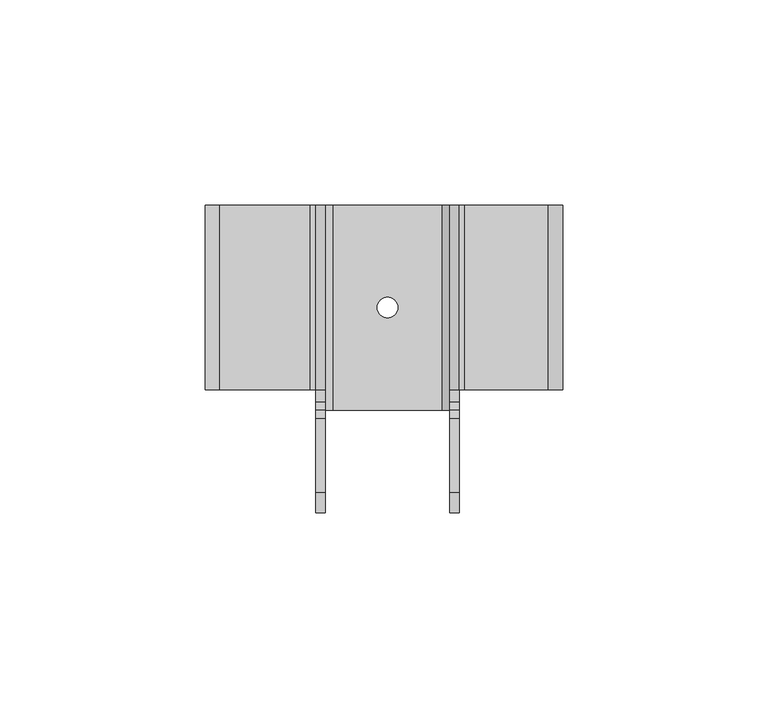
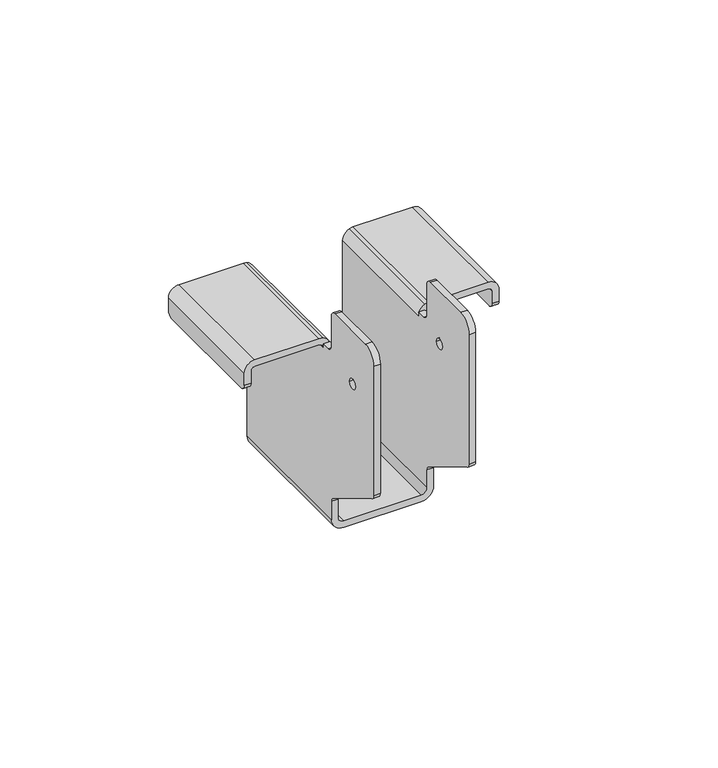
"""IFC4 building model written with IfcOpenShell, lengths in millimetres: proxy geometry."""

import ifcopenshell
import ifcopenshell.guid

model = None  # the IFC model being written
_history = None  # IfcOwnerHistory: only IFC2X3 demands one
_inside = {}  # id of a spatial element -> (the spatial element, [elements in it])
_under = {}  # id of a project, library or spatial element -> (it, [spatial elements below it])
_declared = {}  # id of a project -> (the project, [libraries it declares])
_typed = {}  # id of a type object -> (the type object, [elements of that type])
_made_of = {}  # id of a material, layer set ... -> (it, [elements and type objects made of it])


def new_model(schema):
    """Start an empty IFC model of exactly this schema.

    Asked for "IFC4X3", IfcOpenShell would pick the latest addendum, in which some entities
    have other attributes; the version numbers below select the first issue.
    IFC2X3 requires an IfcOwnerHistory on every rooted entity: one is made here for all.
    """
    global model, _history
    if schema == "IFC4X3":
        model = ifcopenshell.file(schema_version=(4, 3, 0, 0))
    else:
        model = ifcopenshell.file(schema=schema)
    _inside.clear()
    _under.clear()
    _declared.clear()
    _typed.clear()
    _made_of.clear()
    _history = None
    if model.schema == "IFC2X3":
        org = make("IfcOrganization", Name="unknown")
        user = make(
            "IfcPersonAndOrganization",
            ThePerson=make("IfcPerson", FamilyName="unknown"),
            TheOrganization=org,
        )
        app = make(
            "IfcApplication",
            ApplicationDeveloper=org,
            Version="unknown",
            ApplicationFullName="unknown",
            ApplicationIdentifier="unknown",
        )
        _history = make(
            "IfcOwnerHistory",
            OwningUser=user,
            OwningApplication=app,
            ChangeAction="ADDED",
            CreationDate=0,
        )
    return model


def make(cls, **values):
    """One entity of the class cls with the attributes given. An attribute that is None is left unset."""
    return model.create_entity(
        cls, **{name: value for name, value in values.items() if value is not None}
    )


def rooted(cls, **values):
    """An entity with a GlobalId (a new one), such as an element, a storey or a relation."""
    return make(cls, GlobalId=ifcopenshell.guid.new(), OwnerHistory=_history, **values)


def si_unit(unit_type, name, prefix=None):
    """IfcSIUnit, for example si_unit("LENGTHUNIT", "METRE", prefix="MILLI")."""
    return make("IfcSIUnit", UnitType=unit_type, Prefix=prefix, Name=name)


def assignment(units):
    """IfcUnitAssignment: the units of a project."""
    return None if units is None else make("IfcUnitAssignment", Units=units)


def point(xyz):
    """IfcCartesianPoint."""
    return None if xyz is None else make("IfcCartesianPoint", Coordinates=xyz)


def direction(xyz):
    """IfcDirection."""
    return None if xyz is None else make("IfcDirection", DirectionRatios=xyz)


def frame(location, z_axis=None, x_axis=None):
    """IfcAxis2Placement3D, a coordinate frame: its origin and axes. An axis left out is left unset."""
    return make(
        "IfcAxis2Placement3D",
        Location=point(location),
        Axis=direction(z_axis),
        RefDirection=direction(x_axis),
    )


def origin():
    """The frame at (0, 0, 0) with its axes left unset."""
    return frame((0.0, 0.0, 0.0))


def place(relative_to, where):
    """IfcLocalPlacement: puts the frame where relative to a parent placement (None: the world)."""
    return make(
        "IfcLocalPlacement", PlacementRelTo=relative_to, RelativePlacement=where
    )


def context(
    kind, dimensions, precision=None, world=None, true_north=None, identifier=None
):
    """IfcGeometricRepresentationContext, for example the 3D "Model" context."""
    return make(
        "IfcGeometricRepresentationContext",
        ContextIdentifier=identifier,
        ContextType=kind,
        CoordinateSpaceDimension=dimensions,
        Precision=precision,
        WorldCoordinateSystem=world,
        TrueNorth=true_north,
    )


def project(units=None, contexts=None):
    """IfcProject with its units and contexts."""
    return rooted(
        "IfcProject",
        Name="project",
        RepresentationContexts=contexts,
        UnitsInContext=assignment(units),
    )


def spatial(cls, under=None, at=None, **own):
    """A site, building, storey or space (cls), placed at a placement, below another one or the project."""
    s = rooted(cls, ObjectPlacement=at, **own)
    if under is not None:
        _under.setdefault(under.id(), (under, []))[1].append(s)
    return s


def polyline(points):
    """IfcPolyline through the points."""
    return make("IfcPolyline", Points=[point(p) for p in points])


def circle_curve(where, radius):
    """IfcCircle in the frame where."""
    return make("IfcCircle", Position=where, Radius=radius)


def shape(context_of_items, identifier, shape_type, items):
    """IfcShapeRepresentation: the items that make up one representation, for example the "Body"."""
    return make(
        "IfcShapeRepresentation",
        ContextOfItems=context_of_items,
        RepresentationIdentifier=identifier,
        RepresentationType=shape_type,
        Items=items,
    )


def source(mapping_origin, context_of_items, identifier, shape_type, items):
    """IfcRepresentationMap: a shape defined once, which mapped items show again and again."""
    return make(
        "IfcRepresentationMap",
        MappingOrigin=mapping_origin,
        MappedRepresentation=shape(context_of_items, identifier, shape_type, items),
    )


def transform(
    local_origin,
    x_axis=None,
    y_axis=None,
    z_axis=None,
    scale=None,
    scale2=None,
    scale3=None,
    uniform=True,
):
    """IfcCartesianTransformationOperator3D, or its non-uniform kind. x_axis, y_axis, z_axis: its Axis1, 2, 3."""
    if uniform:
        return make(
            "IfcCartesianTransformationOperator3D",
            Axis1=direction(x_axis),
            Axis2=direction(y_axis),
            LocalOrigin=point(local_origin),
            Scale=scale,
            Axis3=direction(z_axis),
        )
    return make(
        "IfcCartesianTransformationOperator3DnonUniform",
        Axis1=direction(x_axis),
        Axis2=direction(y_axis),
        LocalOrigin=point(local_origin),
        Scale=scale,
        Axis3=direction(z_axis),
        Scale2=scale2,
        Scale3=scale3,
    )


def mapped(mapping_source, mapping_target):
    """IfcMappedItem: shows the shape of a source again, moved by a transform."""
    return make(
        "IfcMappedItem", MappingSource=mapping_source, MappingTarget=mapping_target
    )


def made_of(thing, what):
    """Note that an element or type object is made of a material, layer set ...; save() writes the relation."""
    if what is not None:
        _made_of.setdefault(what.id(), (what, []))[1].append(thing)
    return thing


def element(
    cls,
    number,
    at=None,
    inside=None,
    cuts=None,
    type_object=None,
    material=None,
    context=None,
    identifier="Body",
    shape_type=None,
    held_by="IfcProductDefinitionShape",
    body=None,
    shapes=None,
    **own,
):
    """One element of the class cls, such as IfcWall. Its Tag is "e" and its number.

    at: its placement. inside: the storey or other place that contains it. cuts: it is an
    opening in that element (IfcRelVoidsElement). A single representation is given by context,
    identifier, shape_type and body (its items); several are given by shapes. held_by: the class
    of the entity that holds the representations. save() writes the other relations.
    """
    e = rooted(cls, Tag="e%d" % number, ObjectPlacement=at, **own)
    if body is not None:
        shapes = [shape(context, identifier, shape_type, body)]
    if shapes is not None:
        e.Representation = make(held_by, Representations=shapes)
    if inside is not None:
        _inside.setdefault(inside.id(), (inside, []))[1].append(e)
    if cuts is not None:
        rooted(
            "IfcRelVoidsElement", RelatingBuildingElement=cuts, RelatedOpeningElement=e
        )
    if type_object is not None:
        _typed.setdefault(type_object.id(), (type_object, []))[1].append(e)
    return made_of(e, material)


def aggregate(whole, parts):
    """IfcRelAggregates: a whole, such as a stair, and the parts it consists of."""
    return rooted("IfcRelAggregates", RelatingObject=whole, RelatedObjects=parts)


def save(model, path):
    """Write the relations noted so far, then the file.

    IfcRelAggregates (storeys below a building ...), IfcRelContainedInSpatialStructure (elements
    in a storey), IfcRelDefinesByType, IfcRelAssociatesMaterial and IfcRelDeclares: one each for
    every whole, place, type object, material and project.
    """
    for whole, parts in _under.values():
        aggregate(whole, parts)
    for where, things in _inside.values():
        rooted(
            "IfcRelContainedInSpatialStructure",
            RelatedElements=things,
            RelatingStructure=where,
        )
    for kind, things in _typed.values():
        rooted("IfcRelDefinesByType", RelatedObjects=things, RelatingType=kind)
    for what, things in _made_of.values():
        rooted("IfcRelAssociatesMaterial", RelatedObjects=things, RelatingMaterial=what)
    for by, libraries in _declared.values():
        rooted("IfcRelDeclares", RelatingContext=by, RelatedDefinitions=libraries)
    model.write(path)


def plane_surface(at):
    """IfcPlane: the flat surface through the origin of the frame at, square to its z axis."""
    return make("IfcPlane", Position=at)


def cylinder_surface(at, radius):
    """IfcCylindricalSurface: all points at the distance radius from the z axis of the frame at."""
    return make("IfcCylindricalSurface", Position=at, Radius=radius)


def revolved_surface(curve, axis_point, axis_direction):
    """IfcSurfaceOfRevolution: the curve turned about the line through axis_point along axis_direction."""
    return make(
        "IfcSurfaceOfRevolution",
        SweptCurve=make("IfcArbitraryOpenProfileDef", ProfileType="CURVE", Curve=curve),
        AxisPosition=make("IfcAxis1Placement", Location=point(axis_point), Axis=direction(axis_direction)),
    )


def advanced_brep(points, edges, surfaces, faces):
    """IfcAdvancedBrep: a solid bounded by faces that lie on surfaces and meet in shared edges.

    An edge is (start, end): straight between two places in points (the first is 0);
    or (start, end, curve); or (start, end, curve, False) where it runs against its curve.
    A face is (place in surfaces, loops), or (place, loops, False) where it looks against
    its surface's normal. A loop lists edges by number (the first is 1), with a minus sign
    where the edge is run from its end to its start. The first loop is the outer one.
    """
    corners = [point(p) for p in points]
    vertices = [make("IfcVertexPoint", VertexGeometry=c) for c in corners]
    made = []
    for start, end, *more in edges:
        made.append(
            make(
                "IfcEdgeCurve",
                EdgeStart=vertices[start],
                EdgeEnd=vertices[end],
                EdgeGeometry=more[0] if more else make("IfcPolyline", Points=[corners[start], corners[end]]),
                SameSense=more[1] if len(more) > 1 else True,
            )
        )
    hull = []
    for where, loops, *sense in faces:
        bounds = []
        for j, loop in enumerate(loops):
            ring = [make("IfcOrientedEdge", EdgeElement=made[abs(k) - 1], Orientation=k > 0) for k in loop]
            bounds.append(
                make(
                    "IfcFaceOuterBound" if j == 0 else "IfcFaceBound",
                    Bound=make("IfcEdgeLoop", EdgeList=ring),
                    Orientation=True,
                )
            )
        hull.append(make("IfcAdvancedFace", Bounds=bounds, FaceSurface=surfaces[where], SameSense=sense[0] if sense else True))
    return make("IfcAdvancedBrep", Outer=make("IfcClosedShell", CfsFaces=hull))


def mechanical_equipment_40b10844(model_context):
    return source(origin(), model_context, "Body", "AdvancedBrep", [
        advanced_brep(
        [(-40.9, 5.0, -2.3), (-18.8, 5.0, -2.3), (-17.5, 5.0, -3.6), (-17.5, 5.0, -2.3), (-15.4429179, 5.0, -2.3), (-17.5, 5.0, -0.2429179), (-18.8, 5.0, 0.0), (-40.9, 5.0, 0.0), (-44.5, 5.0, -3.6), (-44.5, 5.0, -8.0), (-42.2, 5.0, -8.0), (-42.2, 5.0, -3.6), (-40.9, 50.0, -2.3), (-18.8, 50.0, -2.3), (-17.5, 50.0, -3.6), (-15.2, 50.0, -3.6), (-17.5, 50.0, -0.2429179), (-15.2, 5.0, -3.6), (-18.8, 50.0, 0.0), (-40.9, 50.0, 0.0), (-44.5, 50.0, -3.6), (-44.5, 50.0, -8.0), (-44.5, 48.0, -10.0), (-44.5, 7.0, -10.0), (-42.2, 48.0, -10.0), (-42.2, 7.0, -10.0), (-42.2, 50.0, -3.6), (-42.2, 50.0, -8.0), (-15.2, 0.0, -0.3), (-15.2, 0.0, 10.7), (-15.2, -2.0, 12.7), (-15.2, -20.0, 12.7), (-15.2, -25.0, 7.7), (-15.2, -25.0, -39.1676203), (-15.2, -24.0289915, -40.8826061), (-15.2, -0.9710085, -54.717396), (-15.2, 0.0, -56.4323818), (-15.2, 0.0, -63.0), (-15.2, 50.0, -63.0), (-15.2, 5.0, -2.3), (-15.2, 2.0, -2.3), (-15.2, -14.25, -6.3), (-15.2, -10.75, -6.3), (-17.5, 0.0, -0.3), (-17.5, 2.0, -2.3), (-17.5, 50.0, -63.0), (-17.5, 0.0, -63.0), (-17.5, 0.0, -56.4323818), (-17.5, -0.9710085, -54.717396), (-17.5, -24.0289915, -40.8826061), (-17.5, -25.0, -39.1676203), (-17.5, -25.0, 7.7), (-17.5, -20.0, 12.7), (-17.5, -2.0, 12.7), (-17.5, 0.0, 10.7), (-17.5, -14.25, -6.3), (-17.5, -10.75, -6.3), (18.8, 5.0, -2.3), (39.2, 5.0, -2.3), (40.5, 5.0, -3.6), (40.5, 5.0, -8.0), (42.8, 5.0, -8.0), (42.8, 5.0, -3.6), (39.2, 5.0, 0.0), (18.8, 5.0, 0.0), (17.5, 5.0, -0.2429179), (15.4429179, 5.0, -2.3), (17.5, 5.0, -2.3), (17.5, 5.0, -3.6), (18.8, 50.0, -2.3), (39.2, 50.0, -2.3), (40.5, 50.0, -3.6), (40.5, 50.0, -8.0), (40.5, 48.0, -10.0), (40.5, 7.0, -10.0), (42.8, 48.0, -10.0), (42.8, 7.0, -10.0), (42.8, 50.0, -3.6), (42.8, 50.0, -8.0), (39.2, 50.0, 0.0), (18.8, 50.0, 0.0), (17.5, 50.0, -0.2429179), (15.2, 50.0, -3.6), (15.2, 5.0, -3.6), (17.5, 50.0, -3.6), (13.2, 0.0, -65.0), (-13.2, 0.0, -65.0), (-13.2, 0.0, -67.3), (13.2, 0.0, -67.3), (17.5, 0.0, -63.0), (17.5, 0.0, -56.4323818), (15.2, 0.0, -56.4323818), (15.2, 0.0, -63.0), (13.2, 50.0, -65.0), (15.2, 50.0, -63.0), (17.5, 50.0, -63.0), (13.2, 50.0, -67.3), (-13.2, 50.0, -67.3), (-13.2, 50.0, -65.0), (2.5, 25.0, -65.0), (-2.5, 25.0, -65.0), (-2.5, 25.0, -67.3), (2.5, 25.0, -67.3), (17.5, 0.0, -0.3), (17.5, 0.0, 10.7), (17.5, -2.0, 12.7), (17.5, -20.0, 12.7), (17.5, -25.0, 7.7), (17.5, -25.0, -39.1676203), (17.5, -24.0289915, -40.8826061), (17.5, -0.9710085, -54.717396), (17.5, 2.0, -2.3), (17.5, -9.25, -6.3), (17.5, -5.75, -6.3), (15.2, 0.0, -0.3), (15.2, 2.0, -2.3), (15.2, 5.0, -2.3), (15.2, -0.9710085, -54.717396), (15.2, -24.0289915, -40.8826061), (15.2, -25.0, -39.1676203), (15.2, -25.0, 7.7), (15.2, -20.0, 12.7), (15.2, -2.0, 12.7), (15.2, 0.0, 10.7), (15.2, -9.25, -6.3), (15.2, -5.75, -6.3)],
        [
            (0, 1),
            (1, 2, circle_curve(frame((-18.8, 5.0, -3.6), z_axis=(0.0, 1.0, 0.0), x_axis=(1.0, 0.0, 0.0)), 1.3)),
            (2, 3),
            (3, 4),
            (4, 5, circle_curve(frame((-18.8, 5.0, -3.6), z_axis=(0.0, -1.0, 0.0), x_axis=(1.0, 0.0, 0.0)), 3.6)),
            (5, 6, circle_curve(frame((-18.8, 5.0, -3.6), z_axis=(0.0, -1.0, 0.0), x_axis=(1.0, 0.0, 0.0)), 3.6)),
            (6, 7),
            (7, 8, circle_curve(frame((-40.9, 5.0, -3.6), z_axis=(0.0, -1.0, 0.0), x_axis=(1.0, 0.0, 0.0)), 3.6)),
            (8, 9),
            (9, 10),
            (10, 11),
            (11, 0, circle_curve(frame((-40.9, 5.0, -3.6), z_axis=(0.0, 1.0, 0.0), x_axis=(1.0, 0.0, 0.0)), 1.3)),
            (0, 12),
            (12, 13),
            (13, 1),
            (13, 14, circle_curve(frame((-18.8, 50.0, -3.6), z_axis=(0.0, 1.0, 0.0), x_axis=(1.0, 0.0, 0.0)), 1.3)),
            (14, 2),
            (15, 16, circle_curve(frame((-18.8, 50.0, -3.6), z_axis=(0.0, -1.0, 0.0), x_axis=(1.0, 0.0, 0.0)), 3.6)),
            (16, 5),
            (4, 17, circle_curve(frame((-18.8, 5.0, -3.6), z_axis=(0.0, 1.0, 0.0), x_axis=(1.0, 0.0, 0.0)), 3.6)),
            (17, 15),
            (16, 18, circle_curve(frame((-18.8, 50.0, -3.6), z_axis=(0.0, -1.0, 0.0), x_axis=(1.0, 0.0, 0.0)), 3.6)),
            (18, 6),
            (18, 19),
            (19, 7),
            (19, 20, circle_curve(frame((-40.9, 50.0, -3.6), z_axis=(0.0, -1.0, 0.0), x_axis=(1.0, 0.0, 0.0)), 3.6)),
            (20, 8),
            (20, 21),
            (21, 22, circle_curve(frame((-44.5, 48.0, -8.0), z_axis=(-1.0, 0.0, 0.0), x_axis=(0.0, 1.0, 0.0)), 2.0)),
            (22, 23),
            (23, 9, circle_curve(frame((-44.5, 7.0, -8.0), z_axis=(-1.0, 0.0, 0.0), x_axis=(0.0, 1.0, 0.0)), 2.0)),
            (22, 24),
            (24, 25),
            (25, 23),
            (26, 11),
            (10, 25, circle_curve(frame((-42.2, 7.0, -8.0), z_axis=(1.0, 0.0, 0.0), x_axis=(0.0, 1.0, 0.0)), 2.0)),
            (24, 27, circle_curve(frame((-42.2, 48.0, -8.0), z_axis=(1.0, 0.0, 0.0), x_axis=(0.0, 1.0, 0.0)), 2.0)),
            (27, 26),
            (26, 12, circle_curve(frame((-40.9, 50.0, -3.6), z_axis=(0.0, 1.0, 0.0), x_axis=(1.0, 0.0, 0.0)), 1.3)),
            (28, 29),
            (29, 30, circle_curve(frame((-15.2, -2.0, 10.7), z_axis=(1.0, 0.0, 0.0), x_axis=(0.0, 1.0, 0.0)), 2.0)),
            (30, 31),
            (31, 32, circle_curve(frame((-15.2, -20.0, 7.7), z_axis=(1.0, 0.0, 0.0), x_axis=(0.0, 1.0, 0.0)), 5.0)),
            (32, 33),
            (33, 34, circle_curve(frame((-15.2, -23.0, -39.1676203), z_axis=(1.0, 0.0, 0.0), x_axis=(0.0, 1.0, 0.0)), 2.0)),
            (34, 35),
            (35, 36, circle_curve(frame((-15.2, -2.0, -56.4323818), z_axis=(-1.0, 0.0, 0.0), x_axis=(0.0, 1.0, 0.0)), 2.0)),
            (36, 37),
            (37, 38),
            (38, 15),
            (17, 39),
            (39, 40),
            (40, 28, circle_curve(frame((-15.2, 2.0, -0.3), z_axis=(-1.0, 0.0, 0.0), x_axis=(0.0, 1.0, 0.0)), 2.0)),
            (41, 42, circle_curve(frame((-15.2, -12.5, -6.3), z_axis=(-1.0, 0.0, 0.0), x_axis=(0.0, 1.0, 0.0)), 1.75)),
            (42, 41, circle_curve(frame((-15.2, -12.5, -6.3), z_axis=(-1.0, 0.0, 0.0), x_axis=(0.0, 1.0, 0.0)), 1.75)),
            (43, 44, circle_curve(frame((-17.5, 2.0, -0.3), z_axis=(1.0, 0.0, 0.0), x_axis=(0.0, 1.0, 0.0)), 2.0)),
            (44, 3),
            (14, 45),
            (45, 46),
            (46, 47),
            (47, 48, circle_curve(frame((-17.5, -2.0, -56.4323818), z_axis=(1.0, 0.0, 0.0), x_axis=(0.0, 1.0, 0.0)), 2.0)),
            (48, 49),
            (49, 50, circle_curve(frame((-17.5, -23.0, -39.1676203), z_axis=(-1.0, 0.0, 0.0), x_axis=(0.0, 1.0, 0.0)), 2.0)),
            (50, 51),
            (51, 52, circle_curve(frame((-17.5, -20.0, 7.7), z_axis=(-1.0, 0.0, 0.0), x_axis=(0.0, 1.0, 0.0)), 5.0)),
            (52, 53),
            (53, 54, circle_curve(frame((-17.5, -2.0, 10.7), z_axis=(-1.0, 0.0, 0.0), x_axis=(0.0, 1.0, 0.0)), 2.0)),
            (54, 43),
            (55, 56, circle_curve(frame((-17.5, -12.5, -6.3), z_axis=(1.0, 0.0, 0.0), x_axis=(0.0, 1.0, 0.0)), 1.75)),
            (56, 55, circle_curve(frame((-17.5, -12.5, -6.3), z_axis=(1.0, 0.0, 0.0), x_axis=(0.0, 1.0, 0.0)), 1.75)),
            (28, 43),
            (54, 29),
            (4, 39),
            (44, 40),
            (57, 58),
            (58, 59, circle_curve(frame((39.2, 5.0, -3.6), z_axis=(0.0, 1.0, 0.0), x_axis=(1.0, 0.0, 0.0)), 1.3)),
            (59, 60),
            (60, 61),
            (61, 62),
            (62, 63, circle_curve(frame((39.2, 5.0, -3.6), z_axis=(0.0, -1.0, 0.0), x_axis=(1.0, 0.0, 0.0)), 3.6)),
            (63, 64),
            (64, 65, circle_curve(frame((18.8, 5.0, -3.6), z_axis=(0.0, -1.0, 0.0), x_axis=(1.0, 0.0, 0.0)), 3.6)),
            (65, 66, circle_curve(frame((18.8, 5.0, -3.6), z_axis=(0.0, -1.0, 0.0), x_axis=(1.0, 0.0, 0.0)), 3.6)),
            (66, 67),
            (67, 68),
            (68, 57, circle_curve(frame((18.8, 5.0, -3.6), z_axis=(0.0, 1.0, 0.0), x_axis=(1.0, 0.0, 0.0)), 1.3)),
            (57, 69),
            (69, 70),
            (70, 58),
            (70, 71, circle_curve(frame((39.2, 50.0, -3.6), z_axis=(0.0, 1.0, 0.0), x_axis=(1.0, 0.0, 0.0)), 1.3)),
            (71, 59),
            (71, 72),
            (72, 73, circle_curve(frame((40.5, 48.0, -8.0), z_axis=(-1.0, 0.0, 0.0), x_axis=(0.0, 1.0, 0.0)), 2.0)),
            (73, 74),
            (74, 60, circle_curve(frame((40.5, 7.0, -8.0), z_axis=(-1.0, 0.0, 0.0), x_axis=(0.0, 1.0, 0.0)), 2.0)),
            (73, 75),
            (75, 76),
            (76, 74),
            (77, 62),
            (61, 76, circle_curve(frame((42.8, 7.0, -8.0), z_axis=(1.0, 0.0, 0.0), x_axis=(0.0, 1.0, 0.0)), 2.0)),
            (75, 78, circle_curve(frame((42.8, 48.0, -8.0), z_axis=(1.0, 0.0, 0.0), x_axis=(0.0, 1.0, 0.0)), 2.0)),
            (78, 77),
            (77, 79, circle_curve(frame((39.2, 50.0, -3.6), z_axis=(0.0, -1.0, 0.0), x_axis=(1.0, 0.0, 0.0)), 3.6)),
            (79, 63),
            (79, 80),
            (80, 64),
            (80, 81, circle_curve(frame((18.8, 50.0, -3.6), z_axis=(0.0, -1.0, 0.0), x_axis=(1.0, 0.0, 0.0)), 3.6)),
            (81, 65),
            (81, 82, circle_curve(frame((18.8, 50.0, -3.6), z_axis=(0.0, -1.0, 0.0), x_axis=(1.0, 0.0, 0.0)), 3.6)),
            (82, 83),
            (83, 66, circle_curve(frame((18.8, 5.0, -3.6), z_axis=(0.0, 1.0, 0.0), x_axis=(1.0, 0.0, 0.0)), 3.6)),
            (68, 84),
            (84, 69, circle_curve(frame((18.8, 50.0, -3.6), z_axis=(0.0, 1.0, 0.0), x_axis=(1.0, 0.0, 0.0)), 1.3)),
            (85, 86),
            (86, 37, circle_curve(frame((-13.2, 0.0, -63.0), z_axis=(0.0, 1.0, 0.0), x_axis=(1.0, 0.0, 0.0)), 2.0)),
            (36, 47),
            (46, 87, circle_curve(frame((-13.2, 0.0, -63.0), z_axis=(0.0, -1.0, 0.0), x_axis=(1.0, 0.0, 0.0)), 4.3)),
            (87, 88),
            (88, 89, circle_curve(frame((13.2, 0.0, -63.0), z_axis=(0.0, -1.0, 0.0), x_axis=(1.0, 0.0, 0.0)), 4.3)),
            (89, 90),
            (90, 91),
            (91, 92),
            (92, 85, circle_curve(frame((13.2, 0.0, -63.0), z_axis=(0.0, 1.0, 0.0), x_axis=(1.0, 0.0, 0.0)), 2.0)),
            (93, 94, circle_curve(frame((13.2, 50.0, -63.0), z_axis=(0.0, -1.0, 0.0), x_axis=(1.0, 0.0, 0.0)), 2.0)),
            (94, 82),
            (78, 72),
            (84, 95),
            (95, 96, circle_curve(frame((13.2, 50.0, -63.0), z_axis=(0.0, 1.0, 0.0), x_axis=(1.0, 0.0, 0.0)), 4.3)),
            (96, 97),
            (97, 45, circle_curve(frame((-13.2, 50.0, -63.0), z_axis=(0.0, 1.0, 0.0), x_axis=(1.0, 0.0, 0.0)), 4.3)),
            (27, 21),
            (38, 98, circle_curve(frame((-13.2, 50.0, -63.0), z_axis=(0.0, -1.0, 0.0), x_axis=(1.0, 0.0, 0.0)), 2.0)),
            (98, 93),
            (85, 93),
            (98, 86),
            (99, 100, circle_curve(frame((0.0, 25.0, -65.0), z_axis=(0.0, 0.0, -1.0), x_axis=(1.0, 0.0, 0.0)), 2.5)),
            (100, 99, circle_curve(frame((0.0, 25.0, -65.0), z_axis=(0.0, 0.0, -1.0), x_axis=(1.0, 0.0, 0.0)), 2.5)),
            (97, 87),
            (96, 88),
            (101, 102, circle_curve(frame((0.0, 25.0, -67.3), z_axis=(0.0, 0.0, 1.0), x_axis=(1.0, 0.0, 0.0)), 2.5)),
            (102, 101, circle_curve(frame((0.0, 25.0, -67.3), z_axis=(0.0, 0.0, 1.0), x_axis=(1.0, 0.0, 0.0)), 2.5)),
            (95, 89),
            (92, 94),
            (103, 104),
            (104, 105, circle_curve(frame((17.5, -2.0, 10.7), z_axis=(1.0, 0.0, 0.0), x_axis=(0.0, 1.0, 0.0)), 2.0)),
            (105, 106),
            (106, 107, circle_curve(frame((17.5, -20.0, 7.7), z_axis=(1.0, 0.0, 0.0), x_axis=(0.0, 1.0, 0.0)), 5.0)),
            (107, 108),
            (108, 109, circle_curve(frame((17.5, -23.0, -39.1676203), z_axis=(1.0, 0.0, 0.0), x_axis=(0.0, 1.0, 0.0)), 2.0)),
            (109, 110),
            (110, 90, circle_curve(frame((17.5, -2.0, -56.4323818), z_axis=(-1.0, 0.0, 0.0), x_axis=(0.0, 1.0, 0.0)), 2.0)),
            (67, 111),
            (111, 103, circle_curve(frame((17.5, 2.0, -0.3), z_axis=(-1.0, 0.0, 0.0), x_axis=(0.0, 1.0, 0.0)), 2.0)),
            (112, 113, circle_curve(frame((17.5, -7.5, -6.3), z_axis=(-1.0, 0.0, 0.0), x_axis=(0.0, 1.0, 0.0)), 1.75)),
            (113, 112, circle_curve(frame((17.5, -7.5, -6.3), z_axis=(-1.0, 0.0, 0.0), x_axis=(0.0, 1.0, 0.0)), 1.75)),
            (114, 115, circle_curve(frame((15.2, 2.0, -0.3), z_axis=(1.0, 0.0, 0.0), x_axis=(0.0, 1.0, 0.0)), 2.0)),
            (115, 116),
            (116, 83),
            (91, 117, circle_curve(frame((15.2, -2.0, -56.4323818), z_axis=(1.0, 0.0, 0.0), x_axis=(0.0, 1.0, 0.0)), 2.0)),
            (117, 118),
            (118, 119, circle_curve(frame((15.2, -23.0, -39.1676203), z_axis=(-1.0, 0.0, 0.0), x_axis=(0.0, 1.0, 0.0)), 2.0)),
            (119, 120),
            (120, 121, circle_curve(frame((15.2, -20.0, 7.7), z_axis=(-1.0, 0.0, 0.0), x_axis=(0.0, 1.0, 0.0)), 5.0)),
            (121, 122),
            (122, 123, circle_curve(frame((15.2, -2.0, 10.7), z_axis=(-1.0, 0.0, 0.0), x_axis=(0.0, 1.0, 0.0)), 2.0)),
            (123, 114),
            (124, 125, circle_curve(frame((15.2, -7.5, -6.3), z_axis=(1.0, 0.0, 0.0), x_axis=(0.0, 1.0, 0.0)), 1.75)),
            (125, 124, circle_curve(frame((15.2, -7.5, -6.3), z_axis=(1.0, 0.0, 0.0), x_axis=(0.0, 1.0, 0.0)), 1.75)),
            (116, 66),
            (115, 111),
            (103, 114),
            (123, 104),
            (99, 102),
            (101, 100),
            (122, 105),
            (121, 106),
            (120, 107),
            (119, 108),
            (118, 109),
            (117, 110),
            (112, 124),
            (125, 113),
            (53, 30),
            (52, 31),
            (51, 32),
            (50, 33),
            (49, 34),
            (48, 35),
            (41, 55),
            (56, 42),
        ],
        [
            plane_surface(frame((-18.8, 5.0, -2.3), z_axis=(0.0, -1.0, 0.0), x_axis=(1.0, 0.0, 0.0))),
            plane_surface(frame((-40.9, 5.0, -2.3), z_axis=(0.0, 0.0, -1.0), x_axis=(0.0, 1.0, 0.0))),
            revolved_surface(polyline([(-17.5, 50.0, -3.6), (-17.5, 5.0, -3.6)]), (-18.8, 50.0, -3.6), (0.0, 1.0, 0.0)),
            cylinder_surface(frame((-18.8, 50.0, -3.6), z_axis=(0.0, -1.0, 0.0), x_axis=(1.0, 0.0, 0.0)), 3.6),
            plane_surface(frame((-18.8, 5.0, 0.0), z_axis=(0.0, 0.0, 1.0), x_axis=(0.0, 1.0, 0.0))),
            cylinder_surface(frame((-40.9, 50.0, -3.6), z_axis=(0.0, -1.0, 0.0), x_axis=(1.0, 0.0, 0.0)), 3.6),
            plane_surface(frame((-44.5, 5.0, -3.6), z_axis=(-1.0, 0.0, 0.0), x_axis=(0.0, 1.0, 0.0))),
            plane_surface(frame((-44.5, 5.0, -10.0), z_axis=(0.0, 0.0, -1.0), x_axis=(0.0, 1.0, 0.0))),
            plane_surface(frame((-42.2, 5.0, -10.0), z_axis=(1.0, 0.0, 0.0), x_axis=(0.0, 1.0, 0.0))),
            revolved_surface(polyline([(-39.6, 50.0, -3.6), (-39.6, 5.0, -3.6)]), (-40.9, 50.0, -3.6), (0.0, 1.0, 0.0)),
            plane_surface(frame((-15.2, 0.0, 10.7), z_axis=(1.0, 0.0, 0.0), x_axis=(0.0, 0.0, 1.0))),
            plane_surface(frame((-17.5, 0.0, 10.7), z_axis=(-1.0, 0.0, 0.0), x_axis=(0.0, 0.0, -1.0))),
            plane_surface(frame((-15.2, 0.0, -0.3), z_axis=(0.0, 1.0, 0.0), x_axis=(-1.0, 0.0, 0.0))),
            plane_surface(frame((-15.2, 5.0, -3.6), z_axis=(0.0, 1.0, 0.0), x_axis=(-1.0, 0.0, 0.0))),
            plane_surface(frame((-15.2, 5.0, -2.3), z_axis=(0.0, 0.0, 1.0), x_axis=(-1.0, 0.0, 0.0))),
            plane_surface(frame((39.2, 5.0, -2.3), z_axis=(0.0, -1.0, 0.0), x_axis=(1.0, 0.0, 0.0))),
            plane_surface(frame((18.8, 5.0, -2.3), z_axis=(0.0, 0.0, -1.0), x_axis=(0.0, 1.0, 0.0))),
            revolved_surface(polyline([(40.5, 50.0, -3.6), (40.5, 5.0, -3.6)]), (39.2, 50.0, -3.6), (0.0, 1.0, 0.0)),
            plane_surface(frame((40.5, 5.0, -3.6), z_axis=(-1.0, 0.0, 0.0), x_axis=(0.0, 1.0, 0.0))),
            plane_surface(frame((40.5, 5.0, -10.0), z_axis=(0.0, 0.0, -1.0), x_axis=(0.0, 1.0, 0.0))),
            plane_surface(frame((42.8, 5.0, -10.0), z_axis=(1.0, 0.0, 0.0), x_axis=(0.0, 1.0, 0.0))),
            cylinder_surface(frame((39.2, 50.0, -3.6), z_axis=(0.0, -1.0, 0.0), x_axis=(1.0, 0.0, 0.0)), 3.6),
            plane_surface(frame((39.2, 5.0, 0.0), z_axis=(0.0, 0.0, 1.0), x_axis=(0.0, 1.0, 0.0))),
            cylinder_surface(frame((18.8, 50.0, -3.6), z_axis=(0.0, -1.0, 0.0), x_axis=(1.0, 0.0, 0.0)), 3.6),
            revolved_surface(polyline([(20.1, 50.0, -3.6), (20.1, 5.0, -3.6)]), (18.8, 50.0, -3.6), (0.0, 1.0, 0.0)),
            plane_surface(frame((-13.2, 0.0, -65.0), z_axis=(0.0, -1.0, 0.0), x_axis=(-1.0, 0.0, 0.0))),
            plane_surface(frame((-13.2, 50.0, -65.0), z_axis=(0.0, 1.0, 0.0), x_axis=(1.0, 0.0, 0.0))),
            plane_surface(frame((13.2, 0.0, -65.0), z_axis=(0.0, 0.0, 1.0), x_axis=(0.0, 1.0, 0.0))),
            revolved_surface(polyline([(-11.2, 50.0, -63.0), (-11.2, 0.0, -63.0)]), (-13.2, 50.0, -63.0), (0.0, 1.0, 0.0)),
            cylinder_surface(frame((-13.2, 50.0, -63.0), z_axis=(0.0, -1.0, 0.0), x_axis=(1.0, 0.0, 0.0)), 4.3),
            plane_surface(frame((-13.2, 0.0, -67.3), z_axis=(0.0, 0.0, -1.0), x_axis=(0.0, 1.0, 0.0))),
            cylinder_surface(frame((13.2, 50.0, -63.0), z_axis=(0.0, -1.0, 0.0), x_axis=(1.0, 0.0, 0.0)), 4.3),
            revolved_surface(polyline([(15.2, 50.0, -63.0), (15.2, 0.0, -63.0)]), (13.2, 50.0, -63.0), (0.0, 1.0, 0.0)),
            plane_surface(frame((17.5, 0.0, 10.7), z_axis=(1.0, 0.0, 0.0), x_axis=(0.0, 0.0, 1.0))),
            plane_surface(frame((15.2, 0.0, 10.7), z_axis=(-1.0, 0.0, 0.0), x_axis=(0.0, 0.0, -1.0))),
            plane_surface(frame((17.5, 5.0, -3.6), z_axis=(0.0, 1.0, 0.0), x_axis=(-1.0, 0.0, 0.0))),
            plane_surface(frame((17.5, 5.0, -2.3), z_axis=(0.0, 0.0, 1.0), x_axis=(-1.0, 0.0, 0.0))),
            plane_surface(frame((17.5, 0.0, -0.3), z_axis=(0.0, 1.0, 0.0), x_axis=(-1.0, 0.0, 0.0))),
            revolved_surface(polyline([(2.5, 25.0, -65.0), (2.5, 25.0, -67.3)]), (0.0, 25.0, -67.3), (0.0, 0.0, 1.0)),
            cylinder_surface(frame((15.2, -2.0, 10.7), z_axis=(1.0, 0.0, 0.0), x_axis=(0.0, 1.0, 0.0)), 2.0),
            plane_surface(frame((17.5, -2.0, 12.7), z_axis=(0.0, 0.0, 1.0), x_axis=(-1.0, 0.0, 0.0))),
            cylinder_surface(frame((15.2, -20.0, 7.7), z_axis=(1.0, 0.0, 0.0), x_axis=(0.0, 1.0, 0.0)), 5.0),
            plane_surface(frame((17.5, -25.0, 7.7), z_axis=(0.0, -1.0, 0.0), x_axis=(-1.0, 0.0, 0.0))),
            cylinder_surface(frame((15.2, -23.0, -39.1676203), z_axis=(1.0, 0.0, 0.0), x_axis=(0.0, 1.0, 0.0)), 2.0),
            plane_surface(frame((17.5, -24.0289915, -40.8826061), z_axis=(0.0, -0.5144957554275248, -0.8574929257125452), x_axis=(-1.0, 0.0, 0.0))),
            revolved_surface(polyline([(15.2, 0.0, -56.4323818), (17.5, 0.0, -56.4323818)]), (15.2, -2.0, -56.4323818), (-1.0, 0.0, 0.0)),
            revolved_surface(polyline([(15.2, 4.0, -0.3), (17.5, 4.0, -0.3)]), (15.2, 2.0, -0.3), (-1.0, 0.0, 0.0)),
            revolved_surface(polyline([(15.2, -5.75, -6.3), (17.5, -5.75, -6.3)]), (0.0, -7.5, -6.3), (-1.0, 0.0, 0.0)),
            cylinder_surface(frame((-17.5, -2.0, 10.7), z_axis=(1.0, 0.0, 0.0), x_axis=(0.0, 1.0, 0.0)), 2.0),
            plane_surface(frame((-15.2, -2.0, 12.7), z_axis=(0.0, 0.0, 1.0), x_axis=(-1.0, 0.0, 0.0))),
            cylinder_surface(frame((-17.5, -20.0, 7.7), z_axis=(1.0, 0.0, 0.0), x_axis=(0.0, 1.0, 0.0)), 5.0),
            plane_surface(frame((-15.2, -25.0, 7.7), z_axis=(0.0, -1.0, 0.0), x_axis=(-1.0, 0.0, 0.0))),
            cylinder_surface(frame((-17.5, -23.0, -39.1676203), z_axis=(1.0, 0.0, 0.0), x_axis=(0.0, 1.0, 0.0)), 2.0),
            plane_surface(frame((-15.2, -24.0289915, -40.8826061), z_axis=(0.0, -0.514495755427525, -0.8574929257125451), x_axis=(-1.0, 0.0, 0.0))),
            revolved_surface(polyline([(-17.5, 0.0, -56.4323818), (-15.2, 0.0, -56.4323818)]), (-17.5, -2.0, -56.4323818), (-1.0, 0.0, 0.0)),
            revolved_surface(polyline([(-17.5, 4.0, -0.3), (-15.2, 4.0, -0.3)]), (-17.5, 2.0, -0.3), (-1.0, 0.0, 0.0)),
            revolved_surface(polyline([(-17.5, -10.75, -6.3), (-15.2, -10.75, -6.3)]), (0.0, -12.5, -6.3), (-1.0, 0.0, 0.0)),
            cylinder_surface(frame((40.5, 48.0, -8.0), z_axis=(-1.0, 0.0, 0.0), x_axis=(0.0, 1.0, 0.0)), 2.0),
            cylinder_surface(frame((0.0, 7.0, -8.0), z_axis=(-1.0, 0.0, 0.0), x_axis=(0.0, 1.0, 0.0)), 2.0),
            cylinder_surface(frame((-42.2, 48.0, -8.0), z_axis=(1.0, 0.0, 0.0), x_axis=(0.0, 1.0, 0.0)), 2.0),
            cylinder_surface(frame((0.0, 7.0, -8.0), z_axis=(1.0, 0.0, 0.0), x_axis=(0.0, 1.0, 0.0)), 2.0),
        ],
        [
            (0, [[1, 2, 3, 4, 5, 6, 7, 8, 9, 10, 11, 12]]),
            (1, [[-1, 13, 14, 15]]),
            (2, [[-2, -15, 16, 17]]),
            (3, [[18, 19, -5, 20, 21]]),
            (3, [[-6, -19, 22, 23]]),
            (4, [[-7, -23, 24, 25]]),
            (5, [[-8, -25, 26, 27]]),
            (6, [[-27, 28, 29, 30, 31, -9]]),
            (7, [[-30, 32, 33, 34]]),
            (8, [[35, -11, 36, -33, 37, 38]]),
            (9, [[-12, -35, 39, -13]]),
            (10, [[40, 41, 42, 43, 44, 45, 46, 47, 48, 49, 50, -21, 51, 52, 53], [54, 55]]),
            (11, [[56, 57, -3, -17, 58, 59, 60, 61, 62, 63, 64, 65, 66, 67, 68], [69, 70]]),
            (12, [[-40, 71, -68, 72]]),
            (13, [[-51, -20, 73]]),
            (14, [[-52, -73, -4, -57, 74]]),
            (15, [[75, 76, 77, 78, 79, 80, 81, 82, 83, 84, 85, 86]]),
            (16, [[-75, 87, 88, 89]]),
            (17, [[-76, -89, 90, 91]]),
            (18, [[-91, 92, 93, 94, 95, -77]]),
            (19, [[-94, 96, 97, 98]]),
            (20, [[99, -79, 100, -97, 101, 102]]),
            (21, [[-80, -99, 103, 104]]),
            (22, [[-81, -104, 105, 106]]),
            (23, [[-82, -106, 107, 108]]),
            (23, [[109, 110, 111, -83, -108]]),
            (24, [[-86, 112, 113, -87]]),
            (25, [[114, 115, -48, 116, -60, 117, 118, 119, 120, 121, 122, 123]]),
            (26, [[124, 125, -109, -107, -105, -103, -102, 126, -92, -90, -88, -113, 127, 128, 129, 130, -58, -16, -14, -39, -38, 131, -28, -26, -24, -22, -18, -50, 132, 133]]),
            (27, [[-114, 134, -133, 135], [136, 137]]),
            (28, [[-115, -135, -132, -49]]),
            (29, [[-117, -59, -130, 138]]),
            (30, [[-118, -138, -129, 139], [140, 141]]),
            (31, [[-119, -139, -128, 142]]),
            (32, [[-123, 143, -124, -134]]),
            (33, [[144, 145, 146, 147, 148, 149, 150, 151, -120, -142, -127, -112, -85, 152, 153], [154, 155]]),
            (34, [[156, 157, 158, -110, -125, -143, -122, 159, 160, 161, 162, 163, 164, 165, 166], [167, 168]]),
            (35, [[-158, 169, -111]]),
            (36, [[-152, -84, -169, -157, 170]]),
            (37, [[-144, 171, -166, 172]]),
            (38, [[173, -140, 174, -136]]),
            (38, [[-173, -137, -174, -141]]),
            (39, [[-145, -172, -165, 175]]),
            (40, [[-146, -175, -164, 176]]),
            (41, [[-147, -176, -163, 177]]),
            (42, [[-148, -177, -162, 178]]),
            (43, [[-149, -178, -161, 179]]),
            (44, [[-150, -179, -160, 180]]),
            (45, [[-151, -180, -159, -121]]),
            (46, [[-153, -170, -156, -171]]),
            (47, [[-154, 181, -168, 182]]),
            (47, [[-155, -182, -167, -181]]),
            (48, [[-41, -72, -67, 183]]),
            (49, [[-42, -183, -66, 184]]),
            (50, [[-43, -184, -65, 185]]),
            (51, [[-44, -185, -64, 186]]),
            (52, [[-45, -186, -63, 187]]),
            (53, [[-46, -187, -62, 188]]),
            (54, [[-47, -188, -61, -116]]),
            (55, [[-53, -74, -56, -71]]),
            (56, [[-54, 189, -70, 190]]),
            (56, [[-55, -190, -69, -189]]),
            (57, [[-126, -101, -96, -93]]),
            (58, [[-78, -95, -98, -100]]),
            (59, [[-131, -37, -32, -29]]),
            (60, [[-10, -31, -34, -36]]),
        ],
    ),
    ])


if __name__ == "__main__":
    model = new_model("IFC4")
    model_context = context("Model", 3, world=origin())
    ifc_project = project(units=[si_unit("LENGTHUNIT", "METRE", prefix="MILLI")], contexts=[model_context])
    site = spatial("IfcSite", under=ifc_project)
    building = spatial("IfcBuilding", under=site)
    placement = place(None, origin())
    mechanical_equipment_shape = mechanical_equipment_40b10844(model_context)
    element("IfcBuildingElementProxy", 1, Name="Mechanical Equipment", at=placement, inside=building, context=model_context, shape_type="MappedRepresentation", body=[
        mapped(mechanical_equipment_shape, transform((0.0, 0.0, 0.0), x_axis=(1.0, 0.0, 0.0), y_axis=(0.0, 1.0, 0.0), z_axis=(0.0, 0.0, 1.0))),
    ])
    save(model, "model.ifc")
